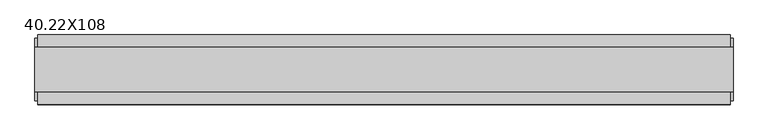
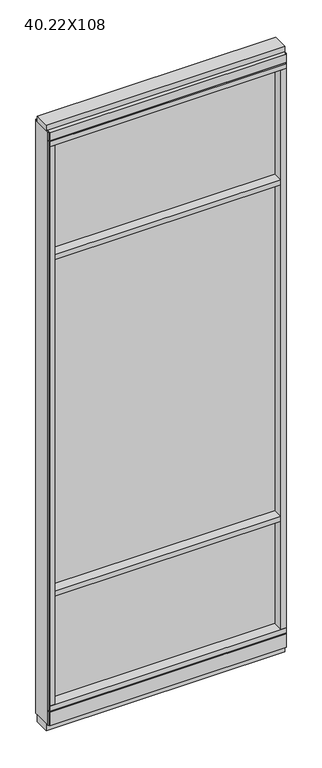
"""IFC4 building model written with IfcOpenShell, lengths in millimetres: furniture geometry, 40.22X108."""

from ifc_helpers import new_model, si_unit, frame, origin, origin_with_axes, place, context, project, spatial, polyline, outline, extrude, source, transform, mapped, element, save


def furniture_40_22x108_e735a846(model_context):
    return source(origin(), model_context, "Body", "SweptSolid", [
        extrude(outline(polyline([(-544.6685229, 0.5622784), (424.5954771, 0.5622784), (424.5954771, -9.5977216), (-544.6685229, -9.5977216), (-544.6685229, 0.5622784)])), frame((0.0, 0.0, 2155.825), z_axis=(0.0, 0.0, 1.0), x_axis=(1.0, 0.0, 0.0)), (0.0, 0.0, 1.0), 498.475),
        extrude(outline(polyline([(-544.6685229, 0.5622784), (424.5954771, 0.5622784), (424.5954771, -9.5977216), (-544.6685229, -9.5977216), (-544.6685229, 0.5622784)])), frame((0.0, 0.0, 631.825), z_axis=(0.0, 0.0, 1.0), x_axis=(1.0, 0.0, 0.0)), (0.0, 0.0, 1.0), 1501.775),
        extrude(outline(polyline([(-544.6685229, -52.3332216), (-544.6685229, 43.2977784), (424.5954771, 43.2977784), (424.5954771, -52.3332216), (-544.6685229, -52.3332216)])), frame((0.0, 0.0, 2133.6), z_axis=(0.0, 0.0, 1.0), x_axis=(1.0, 0.0, 0.0)), (0.0, 0.0, 1.0), 22.225),
        extrude(outline(polyline([(-544.6685229, -52.3332216), (-544.6685229, 43.2977784), (424.5954771, 43.2977784), (424.5954771, -52.3332216), (-544.6685229, -52.3332216)])), frame((0.0, 0.0, 609.6), z_axis=(0.0, 0.0, 1.0), x_axis=(1.0, 0.0, 0.0)), (0.0, 0.0, 1.0), 22.225),
        extrude(outline(polyline([(424.5954771, -9.5977216), (-544.6685229, -9.5977216), (-544.6685229, 0.5622784), (424.5954771, 0.5622784), (424.5954771, -9.5977216)])), frame((0.0, 0.0, 120.523), z_axis=(0.0, 0.0, 1.0), x_axis=(1.0, 0.0, 0.0)), (0.0, 0.0, 1.0), 489.077),
        extrude(outline(polyline([(-55.3177216, 93.345), (-50.3647216, 93.345), (-50.3647216, 98.298), (41.3292784, 98.298), (41.3292784, 93.345), (46.2822784, 93.345), (46.2822784, 31.75), (-55.3177216, 31.75), (-55.3177216, 93.345)])), frame((-566.8935229, 0.0, 0.0), z_axis=(1.0, 0.0, 0.0), x_axis=(0.0, 1.0, 0.0)), (0.0, 0.0, 1.0), 1013.714),
        extrude(outline(polyline([(-566.8935229, -55.3177216), (-566.8935229, 46.2822784), (446.8204771, 46.2822784), (446.8204771, -55.3177216), (-566.8935229, -55.3177216)])), frame((0.0, 0.0, 98.298), z_axis=(0.0, 0.0, 1.0), x_axis=(1.0, 0.0, 0.0)), (0.0, 0.0, 1.0), 22.225),
        extrude(outline(polyline([(450.7574771, 27.9942784), (450.7574771, -37.0297216), (-570.8305229, -37.0297216), (-570.8305229, 27.9942784), (450.7574771, 27.9942784)])), origin_with_axes(), (0.0, 0.0, 1.0), 31.75),
        extrude(outline(polyline([(-570.8305229, -37.0297216), (-570.8305229, 27.9942784), (450.7574771, 27.9942784), (450.7574771, -37.0297216), (-570.8305229, -37.0297216)])), frame((0.0, 0.0, 2717.8), z_axis=(0.0, 0.0, 1.0), x_axis=(1.0, 0.0, 0.0)), (0.0, 0.0, 1.0), 25.4),
        extrude(outline(polyline([(-55.3177216, 2681.478), (-55.3177216, 2717.8), (46.2822784, 2717.8), (46.2822784, 2681.478), (41.3292784, 2681.478), (41.3292784, 2676.525), (-50.3647216, 2676.525), (-50.3647216, 2681.478), (-55.3177216, 2681.478)])), frame((-566.8935229, 0.0, 0.0), z_axis=(1.0, 0.0, 0.0), x_axis=(0.0, 1.0, 0.0)), (0.0, 0.0, 1.0), 1013.714),
        extrude(outline(polyline([(446.8204771, 46.2822784), (446.8204771, -55.3177216), (-566.8935229, -55.3177216), (-566.8935229, 46.2822784), (446.8204771, 46.2822784)])), frame((0.0, 0.0, 2654.3), z_axis=(0.0, 0.0, 1.0), x_axis=(1.0, 0.0, 0.0)), (0.0, 0.0, 1.0), 22.225),
        extrude(outline(polyline([(424.5954771, -55.3177216), (424.5954771, 46.2822784), (446.8204771, 46.2822784), (446.8204771, -55.3177216), (424.5954771, -55.3177216)])), frame((0.0, 0.0, 120.523), z_axis=(0.0, 0.0, 1.0), x_axis=(1.0, 0.0, 0.0)), (0.0, 0.0, 1.0), 2533.777),
        extrude(outline(polyline([(-544.6685229, -55.3177216), (-566.8935229, -55.3177216), (-566.8935229, 46.2822784), (-544.6685229, 46.2822784), (-544.6685229, -55.3177216)])), frame((0.0, 0.0, 120.523), z_axis=(0.0, 0.0, 1.0), x_axis=(1.0, 0.0, 0.0)), (0.0, 0.0, 1.0), 2533.777),
        extrude(outline(polyline([(450.7574771, -50.3647216), (446.8204771, -50.3647216), (446.8204771, 41.3292784), (450.7574771, 41.3292784), (450.7574771, -50.3647216)])), frame((0.0, 0.0, 31.75), z_axis=(0.0, 0.0, 1.0), x_axis=(1.0, 0.0, 0.0)), (0.0, 0.0, 1.0), 2686.05),
        extrude(outline(polyline([(-570.8305229, -50.3647216), (-570.8305229, 41.3292784), (-566.8935229, 41.3292784), (-566.8935229, -50.3647216), (-570.8305229, -50.3647216)])), frame((0.0, 0.0, 31.75), z_axis=(0.0, 0.0, 1.0), x_axis=(1.0, 0.0, 0.0)), (0.0, 0.0, 1.0), 2686.05),
    ])


if __name__ == "__main__":
    model = new_model("IFC4")
    model_context = context("Model", 3, world=origin())
    ifc_project = project(units=[si_unit("LENGTHUNIT", "METRE", prefix="MILLI")], contexts=[model_context])
    site = spatial("IfcSite", under=ifc_project)
    building = spatial("IfcBuilding", under=site)
    placement = place(None, origin())
    furniture_40_22x108_shape = furniture_40_22x108_e735a846(model_context)
    element("IfcFurniture", 1, ObjectType="40.22X108", at=placement, inside=building, context=model_context, shape_type="MappedRepresentation", body=[
        mapped(furniture_40_22x108_shape, transform((0.0, 0.0, 0.0), x_axis=(1.0, 0.0, 0.0), y_axis=(0.0, 1.0, 0.0), z_axis=(0.0, 0.0, 1.0))),
    ])
    save(model, "model.ifc")
